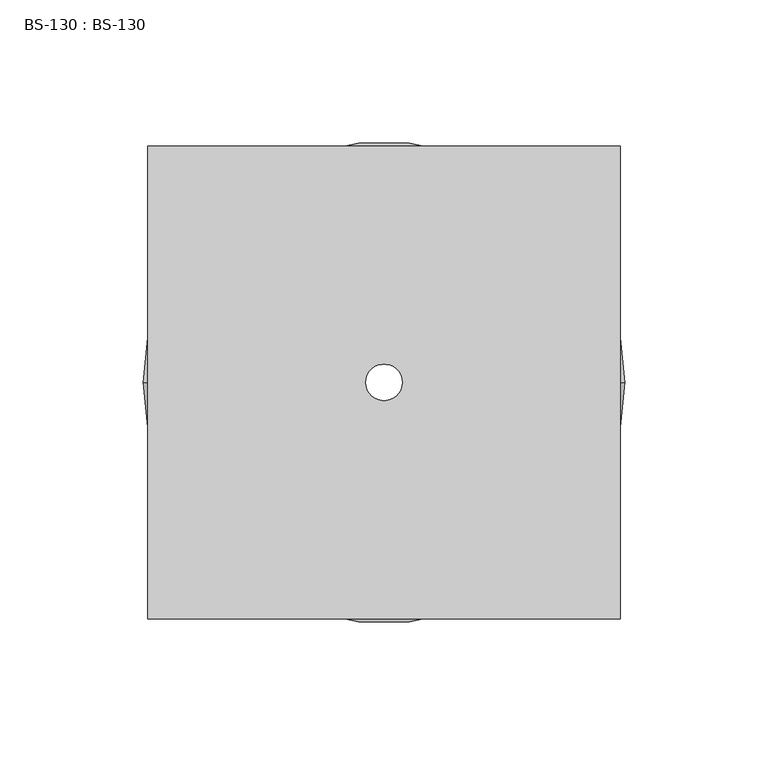
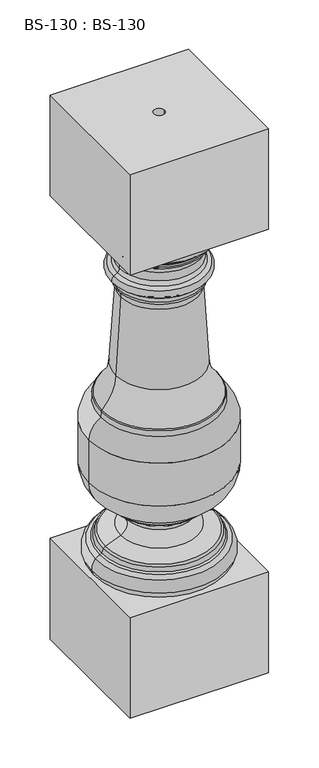
"""IFC4 building model written with IfcOpenShell, lengths in millimetres: proxy geometry, BS-130 : BS-130."""

from ifc_helpers import new_model, si_unit, point, frame, origin, origin_with_axes, place, context, project, spatial, polyline, circle_curve, ellipse_curve, trimmed, source, transform, mapped, element, save
from ifc_brep_helpers import plane_surface, cylinder_surface, revolved_surface, advanced_brep


def bs_130_bs_130_2479b84b(model_context):
    return source(origin(), model_context, "Body", "AdvancedBrep", [
        advanced_brep(
        [(82.55, -82.5641943, 685.8), (82.55, 82.5358057, 685.8), (-82.55, 82.5358057, 685.8), (-82.55, -82.5641943, 685.8), (6.35, 0.0, 685.8), (-6.35, 0.0, 685.8), (82.55, -82.5641943, 558.8), (-82.55, -82.5641943, 558.8), (-82.55, 82.5358057, 558.8), (82.55, 82.5358057, 558.8), (68.2625, 0.0, 558.8), (-68.2625, 0.0, 558.8), (-50.1002609, 0.0, 500.860948), (50.1002609, 0.0, 500.860948), (54.3916334, 0.0, 498.0327842), (-54.3916334, 0.0, 498.0327842), (-54.2069694, 0.0, 526.0417292), (54.2069694, 0.0, 526.0417292), (48.746445, 0.0, 517.4232511), (-48.746445, 0.0, 517.4232511), (-56.1740172, 0.0, 529.2538639), (56.1740172, 0.0, 529.2538639), (-56.4991479, 0.0, 532.0156169), (56.4991479, 0.0, 532.0156169), (-58.0417095, 0.0, 534.3049785), (58.0417095, 0.0, 534.3049785), (-68.2625, 0.0, 547.4761154), (68.2625, 0.0, 547.4761154), (64.9683657, 0.0, 539.9138832), (-64.9683657, 0.0, 539.9138832), (-80.5954479, 0.0, 135.2088057), (80.5954479, 0.0, 135.2088057), (76.2, 0.0, 127.0), (-76.2, 0.0, 127.0), (-76.3653355, 0.0, 148.8863728), (76.3653355, 0.0, 148.8863728), (-71.0899684, 0.0, 152.1110278), (71.0899684, 0.0, 152.1110278), (-67.1682805, 0.0, 158.6455425), (67.1682805, 0.0, 158.6455425), (68.9181945, 0.0, 153.9650644), (-68.9181945, 0.0, 153.9650644), (-64.9164781, 0.0, 160.7350106), (64.9164781, 0.0, 160.7350106), (-46.2696967, 0.0, 168.1878585), (46.2696967, 0.0, 168.1878585), (-39.917657, 0.0, 187.1114443), (39.917657, 0.0, 187.1114443), (-52.1939139, 0.0, 200.2441525), (52.1939139, 0.0, 200.2441525), (-52.9152037, 0.0, 201.4731501), (52.9152037, 0.0, 201.4731501), (-53.18125, 0.0, 205.5431783), (53.18125, 0.0, 205.5431783), (-54.5242651, 0.0, 208.136334), (54.5242651, 0.0, 208.136334), (-84.1375, 0.0, 247.65), (84.1375, 0.0, 247.65), (-84.1375, 0.0, 301.536008), (84.1375, 0.0, 301.536008), (-70.2733712, 0.0, 325.4460102), (70.2733712, 0.0, 325.4460102), (-69.5670752, 0.0, 332.3259833), (69.5670752, 0.0, 332.3259833), (-68.8694243, 0.0, 333.7923075), (68.8694243, 0.0, 333.7923075), (-51.8692896, 0.0, 371.5837186), (51.8692896, 0.0, 371.5837186), (-48.9433279, 0.0, 477.2822491), (48.9433279, 0.0, 477.2822491), (46.0536151, 0.0, 469.091932), (-46.0536151, 0.0, 469.091932), (-50.5856013, 0.0, 481.2042988), (50.5856013, 0.0, 481.2042988), (-51.3850284, 0.0, 486.564052), (51.3850284, 0.0, 486.564052), (-54.6683755, 0.0, 489.531709), (54.6683755, 0.0, 489.531709), (47.9058917, 0.0, 506.3218739), (-47.9058917, 0.0, 506.3218739), (82.55, -82.5641943, 127.0), (82.55, 82.5358057, 127.0), (-82.55, 82.5358057, 127.0), (-82.55, -82.5641943, 127.0), (82.55, -82.5641943, 0.0), (-82.55, -82.5641943, 0.0), (-82.55, 82.5358057, 0.0), (82.55, 82.5358057, 0.0), (-6.35, 0.0, 0.0), (6.35, 0.0, 0.0)],
        [
            (0, 1),
            (1, 2),
            (2, 3),
            (3, 0),
            (4, 5, circle_curve(frame((0.0, 0.0, 685.8), z_axis=(0.0, 0.0, -1.0), x_axis=(1.0, 0.0, 0.0)), 6.35)),
            (5, 4, circle_curve(frame((0.0, 0.0, 685.8), z_axis=(0.0, 0.0, -1.0), x_axis=(1.0, 0.0, 0.0)), 6.35)),
            (6, 7),
            (7, 8),
            (8, 9),
            (9, 6),
            (10, 11, circle_curve(frame((0.0, 0.0, 558.8), z_axis=(0.0, 0.0, 1.0), x_axis=(1.0, 0.0, 0.0)), 68.2625)),
            (11, 10, circle_curve(frame((0.0, 0.0, 558.8), z_axis=(0.0, 0.0, 1.0), x_axis=(1.0, 0.0, 0.0)), 68.2625)),
            (0, 6),
            (9, 1),
            (8, 2),
            (7, 3),
            (12, 13, circle_curve(frame((0.0, 0.0, 500.860948), z_axis=(0.0, 0.0, -1.0), x_axis=(1.0, 0.0, 0.0)), 50.1002609)),
            (13, 14, circle_curve(frame((61.7075719, 0.0, 513.8036568), z_axis=(0.0, -1.0, 0.0), x_axis=(1.0, 0.0, 0.0)), 17.3851482)),
            (14, 15, circle_curve(frame((0.0, 0.0, 498.0327842), z_axis=(0.0, 0.0, 1.0), x_axis=(1.0, 0.0, 0.0)), 54.3916334)),
            (15, 12, circle_curve(frame((-61.7075719, 0.0, 513.8036568), z_axis=(0.0, -1.0, 0.0), x_axis=(-1.0, 0.0, 0.0)), 17.3851482)),
            (13, 12, circle_curve(frame((0.0, 0.0, 500.860948), z_axis=(0.0, 0.0, -1.0), x_axis=(1.0, 0.0, 0.0)), 50.1002609)),
            (15, 14, circle_curve(frame((0.0, 0.0, 498.0327842), z_axis=(0.0, 0.0, 1.0), x_axis=(1.0, 0.0, 0.0)), 54.3916334)),
            (16, 17, circle_curve(frame((0.0, 0.0, 526.0417292), z_axis=(0.0, 0.0, -1.0), x_axis=(1.0, 0.0, 0.0)), 54.2069694)),
            (17, 18, circle_curve(frame((59.5717587, 0.0, 516.6036002), z_axis=(0.0, -1.0, 0.0), x_axis=(1.0, 0.0, 0.0)), 10.8562998)),
            (18, 19, circle_curve(frame((0.0, 0.0, 517.4232511), z_axis=(0.0, 0.0, 1.0), x_axis=(1.0, 0.0, 0.0)), 48.746445)),
            (19, 16, circle_curve(frame((-59.5717587, 0.0, 516.6036002), z_axis=(0.0, -1.0, 0.0), x_axis=(-1.0, 0.0, 0.0)), 10.8562998)),
            (17, 16, circle_curve(frame((0.0, 0.0, 526.0417292), z_axis=(0.0, 0.0, -1.0), x_axis=(1.0, 0.0, 0.0)), 54.2069694)),
            (19, 18, circle_curve(frame((0.0, 0.0, 517.4232511), z_axis=(0.0, 0.0, 1.0), x_axis=(1.0, 0.0, 0.0)), 48.746445)),
            (16, 20, circle_curve(frame((-52.2814555, 0.0, 529.4292339), z_axis=(0.0, 1.0, 0.0), x_axis=(-1.0, 0.0, 0.0)), 3.8965101)),
            (20, 21, circle_curve(frame((0.0, 0.0, 529.2538639), z_axis=(0.0, 0.0, -1.0), x_axis=(1.0, 0.0, 0.0)), 56.1740172)),
            (21, 17, circle_curve(frame((52.2814555, 0.0, 529.4292339), z_axis=(0.0, 1.0, 0.0), x_axis=(1.0, 0.0, 0.0)), 3.8965101)),
            (21, 20, circle_curve(frame((0.0, 0.0, 529.2538639), z_axis=(0.0, 0.0, -1.0), x_axis=(1.0, 0.0, 0.0)), 56.1740172)),
            (20, 22),
            (22, 23, circle_curve(frame((0.0, 0.0, 532.0156169), z_axis=(0.0, 0.0, -1.0), x_axis=(1.0, 0.0, 0.0)), 56.4991479)),
            (23, 21),
            (23, 22, circle_curve(frame((0.0, 0.0, 532.0156169), z_axis=(0.0, 0.0, -1.0), x_axis=(1.0, 0.0, 0.0)), 56.4991479)),
            (22, 24, circle_curve(frame((-59.4922396, 0.0, 531.6632515), z_axis=(0.0, -1.0, 0.0), x_axis=(-1.0, 0.0, 0.0)), 3.0137616)),
            (24, 25, circle_curve(frame((0.0, 0.0, 534.3049785), z_axis=(0.0, 0.0, -1.0), x_axis=(1.0, 0.0, 0.0)), 58.0417095)),
            (25, 23, circle_curve(frame((59.4922396, 0.0, 531.6632515), z_axis=(0.0, -1.0, 0.0), x_axis=(1.0, 0.0, 0.0)), 3.0137616)),
            (25, 24, circle_curve(frame((0.0, 0.0, 534.3049785), z_axis=(0.0, 0.0, -1.0), x_axis=(1.0, 0.0, 0.0)), 58.0417095)),
            (26, 27, circle_curve(frame((0.0, 0.0, 547.4761154), z_axis=(0.0, 0.0, -1.0), x_axis=(1.0, 0.0, 0.0)), 68.2625)),
            (27, 28, circle_curve(frame((57.935253, 0.0, 547.4761154), z_axis=(0.0, 1.0, 0.0), x_axis=(1.0, 0.0, 0.0)), 10.327247)),
            (28, 29, circle_curve(frame((0.0, 0.0, 539.9138832), z_axis=(0.0, 0.0, 1.0), x_axis=(1.0, 0.0, 0.0)), 64.9683657)),
            (29, 26, circle_curve(frame((-57.935253, 0.0, 547.4761154), z_axis=(0.0, 1.0, 0.0), x_axis=(-1.0, 0.0, 0.0)), 10.327247)),
            (27, 26, circle_curve(frame((0.0, 0.0, 547.4761154), z_axis=(0.0, 0.0, -1.0), x_axis=(1.0, 0.0, 0.0)), 68.2625)),
            (29, 28, circle_curve(frame((0.0, 0.0, 539.9138832), z_axis=(0.0, 0.0, 1.0), x_axis=(1.0, 0.0, 0.0)), 64.9683657)),
            (26, 11),
            (10, 27),
            (30, 31, circle_curve(frame((0.0, 0.0, 135.2088057), z_axis=(0.0, 0.0, -1.0), x_axis=(1.0, 0.0, 0.0)), 80.5954479)),
            (31, 32, circle_curve(frame((63.6180306, 0.0, 139.0182669), z_axis=(0.0, 1.0, 0.0), x_axis=(1.0, 0.0, 0.0)), 17.3995602)),
            (32, 33, circle_curve(frame((0.0, 0.0, 127.0), z_axis=(0.0, 0.0, 1.0), x_axis=(1.0, 0.0, 0.0)), 76.2)),
            (33, 30, circle_curve(frame((-63.6180306, 0.0, 139.0182669), z_axis=(0.0, 1.0, 0.0), x_axis=(-1.0, 0.0, 0.0)), 17.3995602)),
            (31, 30, circle_curve(frame((0.0, 0.0, 135.2088057), z_axis=(0.0, 0.0, -1.0), x_axis=(1.0, 0.0, 0.0)), 80.5954479)),
            (33, 32, circle_curve(frame((0.0, 0.0, 127.0), z_axis=(0.0, 0.0, 1.0), x_axis=(1.0, 0.0, 0.0)), 76.2)),
            (30, 34, circle_curve(frame((-66.5547737, 0.0, 138.3593087), z_axis=(0.0, 1.0, 0.0), x_axis=(-1.0, 0.0, 0.0)), 14.3897951)),
            (34, 35, circle_curve(frame((0.0, 0.0, 148.8863728), z_axis=(0.0, 0.0, -1.0), x_axis=(1.0, 0.0, 0.0)), 76.3653355)),
            (35, 31, circle_curve(frame((66.5547737, 0.0, 138.3593087), z_axis=(0.0, 1.0, 0.0), x_axis=(1.0, 0.0, 0.0)), 14.3897951)),
            (35, 34, circle_curve(frame((0.0, 0.0, 148.8863728), z_axis=(0.0, 0.0, -1.0), x_axis=(1.0, 0.0, 0.0)), 76.3653355)),
            (34, 36, circle_curve(frame((-65.8354145, 0.0, 137.587412), z_axis=(0.0, 1.0, 0.0), x_axis=(-1.0, 0.0, 0.0)), 15.4449264)),
            (36, 37, circle_curve(frame((0.0, 0.0, 152.1110278), z_axis=(0.0, 0.0, -1.0), x_axis=(1.0, 0.0, 0.0)), 71.0899684)),
            (37, 35, circle_curve(frame((65.8354145, 0.0, 137.587412), z_axis=(0.0, 1.0, 0.0), x_axis=(1.0, 0.0, 0.0)), 15.4449264)),
            (37, 36, circle_curve(frame((0.0, 0.0, 152.1110278), z_axis=(0.0, 0.0, -1.0), x_axis=(1.0, 0.0, 0.0)), 71.0899684)),
            (38, 39, circle_curve(frame((0.0, 0.0, 158.6455425), z_axis=(0.0, 0.0, -1.0), x_axis=(1.0, 0.0, 0.0)), 67.1682805)),
            (39, 40, circle_curve(frame((126.5797899, 0.0, 178.1906607), z_axis=(0.0, -1.0, 0.0), x_axis=(1.0, 0.0, 0.0)), 62.5438973)),
            (40, 41, circle_curve(frame((0.0, 0.0, 153.9650644), z_axis=(0.0, 0.0, 1.0), x_axis=(1.0, 0.0, 0.0)), 68.9181945)),
            (41, 38, circle_curve(frame((-126.5797899, 0.0, 178.1906607), z_axis=(0.0, -1.0, 0.0), x_axis=(-1.0, 0.0, 0.0)), 62.5438973)),
            (39, 38, circle_curve(frame((0.0, 0.0, 158.6455425), z_axis=(0.0, 0.0, -1.0), x_axis=(1.0, 0.0, 0.0)), 67.1682805)),
            (41, 40, circle_curve(frame((0.0, 0.0, 153.9650644), z_axis=(0.0, 0.0, 1.0), x_axis=(1.0, 0.0, 0.0)), 68.9181945)),
            (38, 42, circle_curve(frame((-64.1522941, 0.0, 157.6533474), z_axis=(0.0, 1.0, 0.0), x_axis=(-1.0, 0.0, 0.0)), 3.175)),
            (42, 43, circle_curve(frame((0.0, 0.0, 160.7350106), z_axis=(0.0, 0.0, -1.0), x_axis=(1.0, 0.0, 0.0)), 64.9164781)),
            (43, 39, circle_curve(frame((64.1522941, 0.0, 157.6533474), z_axis=(0.0, 1.0, 0.0), x_axis=(1.0, 0.0, 0.0)), 3.175)),
            (43, 42, circle_curve(frame((0.0, 0.0, 160.7350106), z_axis=(0.0, 0.0, -1.0), x_axis=(1.0, 0.0, 0.0)), 64.9164781)),
            (42, 44, circle_curve(frame((-98.1351422, 0.0, 270.9002623), z_axis=(0.0, -1.0, 0.0), x_axis=(-1.0, 0.0, 0.0)), 115.0646007)),
            (44, 45, circle_curve(frame((0.0, 0.0, 168.1878585), z_axis=(0.0, 0.0, -1.0), x_axis=(1.0, 0.0, 0.0)), 46.2696967)),
            (45, 43, circle_curve(frame((98.1351422, 0.0, 270.9002623), z_axis=(0.0, -1.0, 0.0), x_axis=(1.0, 0.0, 0.0)), 115.0646007)),
            (45, 44, circle_curve(frame((0.0, 0.0, 168.1878585), z_axis=(0.0, 0.0, -1.0), x_axis=(1.0, 0.0, 0.0)), 46.2696967)),
            (44, 46, circle_curve(frame((-52.6708109, 0.0, 180.8643875), z_axis=(0.0, -1.0, 0.0), x_axis=(-1.0, 0.0, 0.0)), 14.2010089)),
            (46, 47, circle_curve(frame((0.0, 0.0, 187.1114443), z_axis=(0.0, 0.0, -1.0), x_axis=(1.0, 0.0, 0.0)), 39.917657)),
            (47, 45, circle_curve(frame((52.6708109, 0.0, 180.8643875), z_axis=(0.0, -1.0, 0.0), x_axis=(1.0, 0.0, 0.0)), 14.2010089)),
            (47, 46, circle_curve(frame((0.0, 0.0, 187.1114443), z_axis=(0.0, 0.0, -1.0), x_axis=(1.0, 0.0, 0.0)), 39.917657)),
            (46, 48, circle_curve(frame((-67.5711868, 0.0, 173.5655268), z_axis=(0.0, -1.0, 0.0), x_axis=(-1.0, 0.0, 0.0)), 30.7930121)),
            (48, 49, circle_curve(frame((0.0, 0.0, 200.2441525), z_axis=(0.0, 0.0, -1.0), x_axis=(1.0, 0.0, 0.0)), 52.1939139)),
            (49, 47, circle_curve(frame((67.5711868, 0.0, 173.5655268), z_axis=(0.0, -1.0, 0.0), x_axis=(1.0, 0.0, 0.0)), 30.7930121)),
            (49, 48, circle_curve(frame((0.0, 0.0, 200.2441525), z_axis=(0.0, 0.0, -1.0), x_axis=(1.0, 0.0, 0.0)), 52.1939139)),
            (48, 50, circle_curve(frame((-51.3310845, 0.0, 201.5766995), z_axis=(0.0, 1.0, 0.0), x_axis=(-1.0, 0.0, 0.0)), 1.5875)),
            (50, 51, circle_curve(frame((0.0, 0.0, 201.4731501), z_axis=(0.0, 0.0, -1.0), x_axis=(1.0, 0.0, 0.0)), 52.9152037)),
            (51, 49, circle_curve(frame((51.3310845, 0.0, 201.5766995), z_axis=(0.0, 1.0, 0.0), x_axis=(1.0, 0.0, 0.0)), 1.5875)),
            (51, 50, circle_curve(frame((0.0, 0.0, 201.4731501), z_axis=(0.0, 0.0, -1.0), x_axis=(1.0, 0.0, 0.0)), 52.9152037)),
            (50, 52),
            (52, 53, circle_curve(frame((0.0, 0.0, 205.5431783), z_axis=(0.0, 0.0, -1.0), x_axis=(1.0, 0.0, 0.0)), 53.18125)),
            (53, 51),
            (53, 52, circle_curve(frame((0.0, 0.0, 205.5431783), z_axis=(0.0, 0.0, -1.0), x_axis=(1.0, 0.0, 0.0)), 53.18125)),
            (52, 54, circle_curve(frame((-56.8148628, 0.0, 205.3056592), z_axis=(0.0, -1.0, 0.0), x_axis=(-1.0, 0.0, 0.0)), 3.6413675)),
            (54, 55, circle_curve(frame((0.0, 0.0, 208.136334), z_axis=(0.0, 0.0, -1.0), x_axis=(1.0, 0.0, 0.0)), 54.5242651)),
            (55, 53, circle_curve(frame((56.8148628, 0.0, 205.3056592), z_axis=(0.0, -1.0, 0.0), x_axis=(1.0, 0.0, 0.0)), 3.6413675)),
            (55, 54, circle_curve(frame((0.0, 0.0, 208.136334), z_axis=(0.0, 0.0, -1.0), x_axis=(1.0, 0.0, 0.0)), 54.5242651)),
            (54, 56, circle_curve(frame((-42.9688554, 0.0, 247.65), z_axis=(0.0, 1.0, 0.0), x_axis=(-1.0, 0.0, 0.0)), 41.1686446)),
            (56, 57, circle_curve(frame((0.0, 0.0, 247.65), z_axis=(0.0, 0.0, -1.0), x_axis=(1.0, 0.0, 0.0)), 84.1375)),
            (57, 55, circle_curve(frame((42.9688554, 0.0, 247.65), z_axis=(0.0, 1.0, 0.0), x_axis=(1.0, 0.0, 0.0)), 41.1686446)),
            (57, 56, circle_curve(frame((0.0, 0.0, 247.65), z_axis=(0.0, 0.0, -1.0), x_axis=(1.0, 0.0, 0.0)), 84.1375)),
            (56, 58),
            (58, 59, circle_curve(frame((0.0, 0.0, 301.536008), z_axis=(0.0, 0.0, -1.0), x_axis=(1.0, 0.0, 0.0)), 84.1375)),
            (59, 57),
            (59, 58, circle_curve(frame((0.0, 0.0, 301.536008), z_axis=(0.0, 0.0, -1.0), x_axis=(1.0, 0.0, 0.0)), 84.1375)),
            (58, 60, circle_curve(frame((-56.5879048, 0.0, 301.536008), z_axis=(0.0, 1.0, 0.0), x_axis=(-1.0, 0.0, 0.0)), 27.5495952)),
            (60, 61, circle_curve(frame((0.0, 0.0, 325.4460102), z_axis=(0.0, 0.0, -1.0), x_axis=(1.0, 0.0, 0.0)), 70.2733712)),
            (61, 59, circle_curve(frame((56.5879048, 0.0, 301.536008), z_axis=(0.0, 1.0, 0.0), x_axis=(1.0, 0.0, 0.0)), 27.5495952)),
            (61, 60, circle_curve(frame((0.0, 0.0, 325.4460102), z_axis=(0.0, 0.0, -1.0), x_axis=(1.0, 0.0, 0.0)), 70.2733712)),
            (60, 62),
            (62, 63, circle_curve(frame((0.0, 0.0, 332.3259833), z_axis=(0.0, 0.0, -1.0), x_axis=(1.0, 0.0, 0.0)), 69.5670752)),
            (63, 61),
            (63, 62, circle_curve(frame((0.0, 0.0, 332.3259833), z_axis=(0.0, 0.0, -1.0), x_axis=(1.0, 0.0, 0.0)), 69.5670752)),
            (62, 64, circle_curve(frame((-67.1573385, 0.0, 332.0786005), z_axis=(0.0, 1.0, 0.0), x_axis=(-1.0, 0.0, 0.0)), 2.4224016)),
            (64, 65, circle_curve(frame((0.0, 0.0, 333.7923075), z_axis=(0.0, 0.0, -1.0), x_axis=(1.0, 0.0, 0.0)), 68.8694243)),
            (65, 63, circle_curve(frame((67.1573385, 0.0, 332.0786005), z_axis=(0.0, 1.0, 0.0), x_axis=(1.0, 0.0, 0.0)), 2.4224016)),
            (65, 64, circle_curve(frame((0.0, 0.0, 333.7923075), z_axis=(0.0, 0.0, -1.0), x_axis=(1.0, 0.0, 0.0)), 68.8694243)),
            (64, 66, circle_curve(frame((-110.0945201, 0.0, 375.0564414), z_axis=(0.0, -1.0, 0.0), x_axis=(-1.0, 0.0, 0.0)), 58.3287003)),
            (66, 67, circle_curve(frame((0.0, 0.0, 371.5837186), z_axis=(0.0, 0.0, -1.0), x_axis=(1.0, 0.0, 0.0)), 51.8692896)),
            (67, 65, circle_curve(frame((110.0945201, 0.0, 375.0564414), z_axis=(0.0, -1.0, 0.0), x_axis=(1.0, 0.0, 0.0)), 58.3287003)),
            (67, 66, circle_curve(frame((0.0, 0.0, 371.5837186), z_axis=(0.0, 0.0, -1.0), x_axis=(1.0, 0.0, 0.0)), 51.8692896)),
            (68, 69, circle_curve(frame((0.0, 0.0, 477.2822491), z_axis=(0.0, 0.0, -1.0), x_axis=(1.0, 0.0, 0.0)), 48.9433279)),
            (69, 70, circle_curve(frame((57.2180776, 0.0, 469.7578131), z_axis=(0.0, -1.0, 0.0), x_axis=(1.0, 0.0, 0.0)), 11.1843024)),
            (70, 71, circle_curve(frame((0.0, 0.0, 469.091932), z_axis=(0.0, 0.0, 1.0), x_axis=(1.0, 0.0, 0.0)), 46.0536151)),
            (71, 68, circle_curve(frame((-57.2180776, 0.0, 469.7578131), z_axis=(0.0, -1.0, 0.0), x_axis=(-1.0, 0.0, 0.0)), 11.1843024)),
            (69, 68, circle_curve(frame((0.0, 0.0, 477.2822491), z_axis=(0.0, 0.0, -1.0), x_axis=(1.0, 0.0, 0.0)), 48.9433279)),
            (71, 70, circle_curve(frame((0.0, 0.0, 469.091932), z_axis=(0.0, 0.0, 1.0), x_axis=(1.0, 0.0, 0.0)), 46.0536151)),
            (68, 72, circle_curve(frame((-44.2452556, 0.0, 481.5543232), z_axis=(0.0, 1.0, 0.0), x_axis=(-1.0, 0.0, 0.0)), 6.35)),
            (72, 73, circle_curve(frame((0.0, 0.0, 481.2042988), z_axis=(0.0, 0.0, -1.0), x_axis=(1.0, 0.0, 0.0)), 50.5856013)),
            (73, 69, circle_curve(frame((44.2452556, 0.0, 481.5543232), z_axis=(0.0, 1.0, 0.0), x_axis=(1.0, 0.0, 0.0)), 6.35)),
            (73, 72, circle_curve(frame((0.0, 0.0, 481.2042988), z_axis=(0.0, 0.0, -1.0), x_axis=(1.0, 0.0, 0.0)), 50.5856013)),
            (72, 74, circle_curve(frame((-79.7453496, 0.0, 479.5945093), z_axis=(0.0, -1.0, 0.0), x_axis=(-1.0, 0.0, 0.0)), 29.2041494)),
            (74, 75, circle_curve(frame((0.0, 0.0, 486.564052), z_axis=(0.0, 0.0, -1.0), x_axis=(1.0, 0.0, 0.0)), 51.3850284)),
            (75, 73, circle_curve(frame((79.7453496, 0.0, 479.5945093), z_axis=(0.0, -1.0, 0.0), x_axis=(1.0, 0.0, 0.0)), 29.2041494)),
            (75, 74, circle_curve(frame((0.0, 0.0, 486.564052), z_axis=(0.0, 0.0, -1.0), x_axis=(1.0, 0.0, 0.0)), 51.3850284)),
            (74, 76, circle_curve(frame((-55.2196022, 0.0, 485.6217063), z_axis=(0.0, -1.0, 0.0), x_axis=(-1.0, 0.0, 0.0)), 3.9486671)),
            (76, 77, circle_curve(frame((0.0, 0.0, 489.531709), z_axis=(0.0, 0.0, -1.0), x_axis=(1.0, 0.0, 0.0)), 54.6683755)),
            (77, 75, circle_curve(frame((55.2196022, 0.0, 485.6217063), z_axis=(0.0, -1.0, 0.0), x_axis=(1.0, 0.0, 0.0)), 3.9486671)),
            (77, 76, circle_curve(frame((0.0, 0.0, 489.531709), z_axis=(0.0, 0.0, -1.0), x_axis=(1.0, 0.0, 0.0)), 54.6683755)),
            (14, 77, circle_curve(frame((52.3875, 0.0, 493.7125), z_axis=(0.0, 1.0, 0.0), x_axis=(1.0, 0.0, 0.0)), 4.7625)),
            (76, 15, circle_curve(frame((-52.3875, 0.0, 493.7125), z_axis=(0.0, 1.0, 0.0), x_axis=(-1.0, 0.0, 0.0)), 4.7625)),
            (36, 41, circle_curve(frame((-72.4707038, 0.0, 155.9273881), z_axis=(0.0, -1.0, 0.0), x_axis=(-1.0, 0.0, 0.0)), 4.0584525)),
            (40, 37, circle_curve(frame((72.4707038, 0.0, 155.9273881), z_axis=(0.0, -1.0, 0.0), x_axis=(1.0, 0.0, 0.0)), 4.0584525)),
            (24, 29, circle_curve(frame((-20.627973, 0.0, 587.59012), z_axis=(0.0, 1.0, 0.0), x_axis=(-1.0, 0.0, 0.0)), 65.1083249)),
            (28, 25, circle_curve(frame((20.627973, 0.0, 587.59012), z_axis=(0.0, 1.0, 0.0), x_axis=(1.0, 0.0, 0.0)), 65.1083249)),
            (18, 78),
            (78, 79, circle_curve(frame((0.0, 0.0, 506.3218739), z_axis=(0.0, 0.0, 1.0), x_axis=(1.0, 0.0, 0.0)), 47.9058917)),
            (79, 19),
            (79, 78, circle_curve(frame((0.0, 0.0, 506.3218739), z_axis=(0.0, 0.0, 1.0), x_axis=(1.0, 0.0, 0.0)), 47.9058917)),
            (12, 79, circle_curve(frame((-54.5467979, 0.0, 505.8190501), z_axis=(0.0, -1.0, 0.0), x_axis=(-1.0, 0.0, 0.0)), 6.659915)),
            (78, 13, circle_curve(frame((54.5467979, 0.0, 505.8190501), z_axis=(0.0, -1.0, 0.0), x_axis=(1.0, 0.0, 0.0)), 6.659915)),
            (66, 71),
            (70, 67),
            (80, 81),
            (81, 82),
            (82, 83),
            (83, 80),
            (84, 85),
            (85, 86),
            (86, 87),
            (87, 84),
            (88, 89, circle_curve(origin_with_axes(), 6.35)),
            (89, 88, circle_curve(origin_with_axes(), 6.35)),
            (80, 84),
            (87, 81),
            (86, 82),
            (85, 83),
            (4, 89),
            (88, 5),
        ],
        [
            plane_surface(frame((82.55, -107.95, 685.8), z_axis=(0.0, 0.0, 1.0), x_axis=(0.0, 1.0, 0.0))),
            plane_surface(frame((82.55, -107.95, 558.8), z_axis=(0.0, 0.0, -1.0), x_axis=(0.0, -1.0, 0.0))),
            plane_surface(frame((82.55, -82.5641943, 685.8), z_axis=(1.0, 0.0, 0.0), x_axis=(0.0, 0.0, -1.0))),
            plane_surface(frame((82.55, 82.5358057, 685.8), z_axis=(0.0, 1.0, 0.0), x_axis=(0.0, 0.0, -1.0))),
            plane_surface(frame((-82.55, 82.5358057, 685.8), z_axis=(-1.0, 0.0, 0.0), x_axis=(0.0, 0.0, -1.0))),
            plane_surface(frame((-82.55, -82.5641943, 685.8), z_axis=(0.0, -1.0, 0.0), x_axis=(0.0, 0.0, -1.0))),
            revolved_surface(trimmed(ellipse_curve(frame((61.7075719, 0.0, 513.8036568), z_axis=(0.0, 1.0, 0.0), x_axis=(1.0, 0.0, 0.0)), 17.3851482, 17.3851482), [point((54.3916334, 0.0, 498.0327842))], [point((50.1002609, 0.0, 500.860948))], True, "CARTESIAN"), (0.0, 0.0, 685.8), (0.0, 0.0, 1.0)),
            revolved_surface(trimmed(ellipse_curve(frame((59.5717587, 0.0, 516.6036002), z_axis=(0.0, 1.0, 0.0), x_axis=(1.0, 0.0, 0.0)), 10.8562998, 10.8562998), [point((48.746445, 0.0, 517.4232511))], [point((54.2069694, 0.0, 526.0417292))], True, "CARTESIAN"), (0.0, 0.0, 685.8), (0.0, 0.0, 1.0)),
            revolved_surface(trimmed(ellipse_curve(frame((52.2814555, 0.0, 529.4292339), z_axis=(0.0, -1.0, 0.0), x_axis=(1.0, 0.0, 0.0)), 3.8965101, 3.8965101), [point((54.2069694, 0.0, 526.0417292))], [point((56.1740172, 0.0, 529.2538639))], True, "CARTESIAN"), (0.0, 0.0, 685.8), (0.0, 0.0, 1.0)),
            revolved_surface(polyline([(56.1740172, 0.0, 529.2538639), (56.4991479, 0.0, 532.0156169)]), (0.0, 0.0, 685.8), (0.0, 0.0, 1.0)),
            revolved_surface(trimmed(ellipse_curve(frame((59.4922396, 0.0, 531.6632515), z_axis=(0.0, 1.0, 0.0), x_axis=(1.0, 0.0, 0.0)), 3.0137616, 3.0137616), [point((56.4991479, 0.0, 532.0156169))], [point((58.0417095, 0.0, 534.3049785))], True, "CARTESIAN"), (0.0, 0.0, 685.8), (0.0, 0.0, 1.0)),
            revolved_surface(trimmed(ellipse_curve(frame((57.935253, 0.0, 547.4761154), z_axis=(0.0, -1.0, 0.0), x_axis=(1.0, 0.0, 0.0)), 10.327247, 10.327247), [point((64.9683657, 0.0, 539.9138832))], [point((68.2625, 0.0, 547.4761154))], True, "CARTESIAN"), (0.0, 0.0, 685.8), (0.0, 0.0, 1.0)),
            cylinder_surface(frame((0.0, 0.0, 685.8), z_axis=(0.0, 0.0, 1.0), x_axis=(1.0, 0.0, 0.0)), 68.2625),
            revolved_surface(trimmed(ellipse_curve(frame((63.6180306, 0.0, 139.0182669), z_axis=(0.0, -1.0, 0.0), x_axis=(1.0, 0.0, 0.0)), 17.3995602, 17.3995602), [point((76.2, 0.0, 127.0))], [point((80.5954479, 0.0, 135.2088057))], True, "CARTESIAN"), (0.0, 0.0, 685.8), (0.0, 0.0, 1.0)),
            revolved_surface(trimmed(ellipse_curve(frame((66.5547737, 0.0, 138.3593087), z_axis=(0.0, -1.0, 0.0), x_axis=(1.0, 0.0, 0.0)), 14.3897951, 14.3897951), [point((80.5954479, 0.0, 135.2088057))], [point((76.3653355, 0.0, 148.8863728))], True, "CARTESIAN"), (0.0, 0.0, 685.8), (0.0, 0.0, 1.0)),
            revolved_surface(trimmed(ellipse_curve(frame((65.8354145, 0.0, 137.587412), z_axis=(0.0, -1.0, 0.0), x_axis=(1.0, 0.0, 0.0)), 15.4449264, 15.4449264), [point((76.3653355, 0.0, 148.8863728))], [point((71.0899684, 0.0, 152.1110278))], True, "CARTESIAN"), (0.0, 0.0, 685.8), (0.0, 0.0, 1.0)),
            revolved_surface(trimmed(ellipse_curve(frame((126.5797899, 0.0, 178.1906607), z_axis=(0.0, 1.0, 0.0), x_axis=(1.0, 0.0, 0.0)), 62.5438973, 62.5438973), [point((68.9181945, 0.0, 153.9650644))], [point((67.1682805, 0.0, 158.6455425))], True, "CARTESIAN"), (0.0, 0.0, 685.8), (0.0, 0.0, 1.0)),
            revolved_surface(trimmed(ellipse_curve(frame((64.1522941, 0.0, 157.6533474), z_axis=(0.0, -1.0, 0.0), x_axis=(1.0, 0.0, 0.0)), 3.175, 3.175), [point((67.1682805, 0.0, 158.6455425))], [point((64.9164781, 0.0, 160.7350106))], True, "CARTESIAN"), (0.0, 0.0, 685.8), (0.0, 0.0, 1.0)),
            revolved_surface(trimmed(ellipse_curve(frame((98.1351422, 0.0, 270.9002623), z_axis=(0.0, 1.0, 0.0), x_axis=(1.0, 0.0, 0.0)), 115.0646007, 115.0646007), [point((64.9164781, 0.0, 160.7350106))], [point((46.2696967, 0.0, 168.1878585))], True, "CARTESIAN"), (0.0, 0.0, 685.8), (0.0, 0.0, 1.0)),
            revolved_surface(trimmed(ellipse_curve(frame((52.6708109, 0.0, 180.8643875), z_axis=(0.0, 1.0, 0.0), x_axis=(1.0, 0.0, 0.0)), 14.2010089, 14.2010089), [point((46.2696967, 0.0, 168.1878585))], [point((39.917657, 0.0, 187.1114443))], True, "CARTESIAN"), (0.0, 0.0, 685.8), (0.0, 0.0, 1.0)),
            revolved_surface(trimmed(ellipse_curve(frame((67.5711868, 0.0, 173.5655268), z_axis=(0.0, 1.0, 0.0), x_axis=(1.0, 0.0, 0.0)), 30.7930121, 30.7930121), [point((39.917657, 0.0, 187.1114443))], [point((52.1939139, 0.0, 200.2441525))], True, "CARTESIAN"), (0.0, 0.0, 685.8), (0.0, 0.0, 1.0)),
            revolved_surface(trimmed(ellipse_curve(frame((51.3310845, 0.0, 201.5766995), z_axis=(0.0, -1.0, 0.0), x_axis=(1.0, 0.0, 0.0)), 1.5875, 1.5875), [point((52.1939139, 0.0, 200.2441525))], [point((52.9152037, 0.0, 201.4731501))], True, "CARTESIAN"), (0.0, 0.0, 685.8), (0.0, 0.0, 1.0)),
            revolved_surface(polyline([(52.9152037, 0.0, 201.4731501), (53.18125, 0.0, 205.5431783)]), (0.0, 0.0, 685.8), (0.0, 0.0, 1.0)),
            revolved_surface(trimmed(ellipse_curve(frame((56.8148628, 0.0, 205.3056592), z_axis=(0.0, 1.0, 0.0), x_axis=(1.0, 0.0, 0.0)), 3.6413675, 3.6413675), [point((53.18125, 0.0, 205.5431783))], [point((54.5242651, 0.0, 208.136334))], True, "CARTESIAN"), (0.0, 0.0, 685.8), (0.0, 0.0, 1.0)),
            revolved_surface(trimmed(ellipse_curve(frame((42.9688554, 0.0, 247.65), z_axis=(0.0, -1.0, 0.0), x_axis=(1.0, 0.0, 0.0)), 41.1686446, 41.1686446), [point((54.5242651, 0.0, 208.136334))], [point((84.1375, 0.0, 247.65))], True, "CARTESIAN"), (0.0, 0.0, 685.8), (0.0, 0.0, 1.0)),
            cylinder_surface(frame((0.0, 0.0, 685.8), z_axis=(0.0, 0.0, 1.0), x_axis=(1.0, 0.0, 0.0)), 84.1375),
            revolved_surface(trimmed(ellipse_curve(frame((56.5879048, 0.0, 301.536008), z_axis=(0.0, -1.0, 0.0), x_axis=(1.0, 0.0, 0.0)), 27.5495952, 27.5495952), [point((84.1375, 0.0, 301.536008))], [point((70.2733712, 0.0, 325.4460102))], True, "CARTESIAN"), (0.0, 0.0, 685.8), (0.0, 0.0, 1.0)),
            revolved_surface(polyline([(70.2733712, 0.0, 325.4460102), (69.5670752, 0.0, 332.3259833)]), (0.0, 0.0, 685.8), (0.0, 0.0, 1.0)),
            revolved_surface(trimmed(ellipse_curve(frame((67.1573385, 0.0, 332.0786005), z_axis=(0.0, -1.0, 0.0), x_axis=(1.0, 0.0, 0.0)), 2.4224016, 2.4224016), [point((69.5670752, 0.0, 332.3259833))], [point((68.8694243, 0.0, 333.7923075))], True, "CARTESIAN"), (0.0, 0.0, 685.8), (0.0, 0.0, 1.0)),
            revolved_surface(trimmed(ellipse_curve(frame((110.0945201, 0.0, 375.0564414), z_axis=(0.0, 1.0, 0.0), x_axis=(1.0, 0.0, 0.0)), 58.3287003, 58.3287003), [point((68.8694243, 0.0, 333.7923075))], [point((51.8692896, 0.0, 371.5837186))], True, "CARTESIAN"), (0.0, 0.0, 685.8), (0.0, 0.0, 1.0)),
            revolved_surface(trimmed(ellipse_curve(frame((57.2180776, 0.0, 469.7578131), z_axis=(0.0, 1.0, 0.0), x_axis=(1.0, 0.0, 0.0)), 11.1843024, 11.1843024), [point((46.0536151, 0.0, 469.091932))], [point((48.9433279, 0.0, 477.2822491))], True, "CARTESIAN"), (0.0, 0.0, 685.8), (0.0, 0.0, 1.0)),
            revolved_surface(trimmed(ellipse_curve(frame((44.2452556, 0.0, 481.5543232), z_axis=(0.0, -1.0, 0.0), x_axis=(1.0, 0.0, 0.0)), 6.35, 6.35), [point((48.9433279, 0.0, 477.2822491))], [point((50.5856013, 0.0, 481.2042988))], True, "CARTESIAN"), (0.0, 0.0, 685.8), (0.0, 0.0, 1.0)),
            revolved_surface(trimmed(ellipse_curve(frame((79.7453496, 0.0, 479.5945093), z_axis=(0.0, 1.0, 0.0), x_axis=(1.0, 0.0, 0.0)), 29.2041494, 29.2041494), [point((50.5856013, 0.0, 481.2042988))], [point((51.3850284, 0.0, 486.564052))], True, "CARTESIAN"), (0.0, 0.0, 685.8), (0.0, 0.0, 1.0)),
            revolved_surface(trimmed(ellipse_curve(frame((55.2196022, 0.0, 485.6217063), z_axis=(0.0, 1.0, 0.0), x_axis=(1.0, 0.0, 0.0)), 3.9486671, 3.9486671), [point((51.3850284, 0.0, 486.564052))], [point((54.6683755, 0.0, 489.531709))], True, "CARTESIAN"), (0.0, 0.0, 685.8), (0.0, 0.0, 1.0)),
            revolved_surface(trimmed(ellipse_curve(frame((52.3875, 0.0, 493.7125), z_axis=(0.0, -1.0, 0.0), x_axis=(1.0, 0.0, 0.0)), 4.7625, 4.7625), [point((54.6683755, 0.0, 489.531709))], [point((54.3916334, 0.0, 498.0327842))], True, "CARTESIAN"), (0.0, 0.0, 685.8), (0.0, 0.0, 1.0)),
            revolved_surface(trimmed(ellipse_curve(frame((72.4707038, 0.0, 155.9273881), z_axis=(0.0, 1.0, 0.0), x_axis=(1.0, 0.0, 0.0)), 4.0584525, 4.0584525), [point((71.0899684, 0.0, 152.1110278))], [point((68.9181945, 0.0, 153.9650644))], True, "CARTESIAN"), (0.0, 0.0, 685.8), (0.0, 0.0, 1.0)),
            revolved_surface(trimmed(ellipse_curve(frame((20.627973, 0.0, 587.59012), z_axis=(0.0, -1.0, 0.0), x_axis=(1.0, 0.0, 0.0)), 65.1083249, 65.1083249), [point((58.0417095, 0.0, 534.3049785))], [point((64.9683657, 0.0, 539.9138832))], True, "CARTESIAN"), (0.0, 0.0, 685.8), (0.0, 0.0, 1.0)),
            revolved_surface(polyline([(47.9058917, 0.0, 506.3218739), (48.746445, 0.0, 517.4232511)]), (0.0, 0.0, 685.8), (0.0, 0.0, 1.0)),
            revolved_surface(trimmed(ellipse_curve(frame((54.5467979, 0.0, 505.8190501), z_axis=(0.0, 1.0, 0.0), x_axis=(1.0, 0.0, 0.0)), 6.659915, 6.659915), [point((50.1002609, 0.0, 500.860948))], [point((47.9058916, 0.0, 506.3218739))], True, "CARTESIAN"), (0.0, 0.0, 685.8), (0.0, 0.0, 1.0)),
            revolved_surface(polyline([(51.8692897, 0.0, 371.5837186), (46.0536151, 0.0, 469.091932)]), (0.0, 0.0, 685.8), (0.0, 0.0, 1.0)),
            plane_surface(frame((82.55, -107.95, 127.0), z_axis=(0.0, 0.0, 1.0), x_axis=(0.0, 1.0, 0.0))),
            plane_surface(frame((82.55, -107.95, 0.0), z_axis=(0.0, 0.0, -1.0), x_axis=(0.0, -1.0, 0.0))),
            plane_surface(frame((82.55, -82.5641943, 127.0), z_axis=(1.0, 0.0, 0.0), x_axis=(0.0, 0.0, -1.0))),
            plane_surface(frame((82.55, 82.5358057, 127.0), z_axis=(0.0, 1.0, 0.0), x_axis=(0.0, 0.0, -1.0))),
            plane_surface(frame((-82.55, 82.5358057, 127.0), z_axis=(-1.0, 0.0, 0.0), x_axis=(0.0, 0.0, -1.0))),
            plane_surface(frame((-82.55, -82.5641943, 127.0), z_axis=(0.0, -1.0, 0.0), x_axis=(0.0, 0.0, -1.0))),
            revolved_surface(polyline([(6.35, 0.0, 685.8), (6.35, 0.0, 0.0)]), (0.0, 0.0, 0.0), (0.0, 0.0, 1.0)),
        ],
        [
            (0, [[1, 2, 3, 4], [5, 6]]),
            (1, [[7, 8, 9, 10], [11, 12]]),
            (2, [[-1, 13, -10, 14]]),
            (3, [[-2, -14, -9, 15]]),
            (4, [[-3, -15, -8, 16]]),
            (5, [[-4, -16, -7, -13]]),
            (6, [[17, 18, 19, 20]]),
            (6, [[-18, 21, -20, 22]]),
            (7, [[23, 24, 25, 26]]),
            (7, [[-24, 27, -26, 28]]),
            (8, [[-23, 29, 30, 31]]),
            (8, [[-27, -31, 32, -29]]),
            (9, [[-30, 33, 34, 35]]),
            (9, [[-32, -35, 36, -33]]),
            (10, [[-34, 37, 38, 39]]),
            (10, [[-36, -39, 40, -37]]),
            (11, [[41, 42, 43, 44]]),
            (11, [[-42, 45, -44, 46]]),
            (12, [[-41, 47, -11, 48]]),
            (12, [[-45, -48, -12, -47]]),
            (13, [[49, 50, 51, 52]]),
            (13, [[-50, 53, -52, 54]]),
            (14, [[-49, 55, 56, 57]]),
            (14, [[-53, -57, 58, -55]]),
            (15, [[-56, 59, 60, 61]]),
            (15, [[-58, -61, 62, -59]]),
            (16, [[63, 64, 65, 66]]),
            (16, [[-64, 67, -66, 68]]),
            (17, [[-63, 69, 70, 71]]),
            (17, [[-67, -71, 72, -69]]),
            (18, [[-70, 73, 74, 75]]),
            (18, [[-72, -75, 76, -73]]),
            (19, [[-74, 77, 78, 79]]),
            (19, [[-76, -79, 80, -77]]),
            (20, [[-78, 81, 82, 83]]),
            (20, [[-80, -83, 84, -81]]),
            (21, [[-82, 85, 86, 87]]),
            (21, [[-84, -87, 88, -85]]),
            (22, [[-86, 89, 90, 91]]),
            (22, [[-88, -91, 92, -89]]),
            (23, [[-90, 93, 94, 95]]),
            (23, [[-92, -95, 96, -93]]),
            (24, [[-94, 97, 98, 99]]),
            (24, [[-96, -99, 100, -97]]),
            (25, [[-98, 101, 102, 103]]),
            (25, [[-100, -103, 104, -101]]),
            (26, [[-102, 105, 106, 107]]),
            (26, [[-104, -107, 108, -105]]),
            (27, [[-106, 109, 110, 111]]),
            (27, [[-108, -111, 112, -109]]),
            (28, [[-110, 113, 114, 115]]),
            (28, [[-112, -115, 116, -113]]),
            (29, [[-114, 117, 118, 119]]),
            (29, [[-116, -119, 120, -117]]),
            (30, [[121, 122, 123, 124]]),
            (30, [[-122, 125, -124, 126]]),
            (31, [[-121, 127, 128, 129]]),
            (31, [[-125, -129, 130, -127]]),
            (32, [[-128, 131, 132, 133]]),
            (32, [[-130, -133, 134, -131]]),
            (33, [[-132, 135, 136, 137]]),
            (33, [[-134, -137, 138, -135]]),
            (34, [[-19, 139, -136, 140]]),
            (34, [[-22, -140, -138, -139]]),
            (35, [[-60, 141, -65, 142]]),
            (35, [[-62, -142, -68, -141]]),
            (36, [[-38, 143, -43, 144]]),
            (36, [[-40, -144, -46, -143]]),
            (37, [[-25, 145, 146, 147]]),
            (37, [[-28, -147, 148, -145]]),
            (38, [[-17, 149, -146, 150]]),
            (38, [[-21, -150, -148, -149]]),
            (39, [[-118, 151, -123, 152]]),
            (39, [[-120, -152, -126, -151]]),
            (40, [[153, 154, 155, 156], [-51, -54]]),
            (41, [[157, 158, 159, 160], [161, 162]]),
            (42, [[-153, 163, -160, 164]]),
            (43, [[-154, -164, -159, 165]]),
            (44, [[-155, -165, -158, 166]]),
            (45, [[-156, -166, -157, -163]]),
            (46, [[167, -161, 168, -5]]),
            (46, [[-167, -6, -168, -162]]),
        ],
    ),
    ])


if __name__ == "__main__":
    model = new_model("IFC4")
    model_context = context("Model", 3, world=origin())
    ifc_project = project(units=[si_unit("LENGTHUNIT", "METRE", prefix="MILLI")], contexts=[model_context])
    site = spatial("IfcSite", under=ifc_project)
    building = spatial("IfcBuilding", under=site)
    placement = place(None, origin())
    bs_130_bs_130_shape = bs_130_bs_130_2479b84b(model_context)
    element("IfcBuildingElementProxy", 1, Name="BS-130 : BS-130", ObjectType="BS-130 : BS-130", at=placement, inside=building, context=model_context, shape_type="MappedRepresentation", body=[
        mapped(bs_130_bs_130_shape, transform((0.0, 0.0, 0.0), x_axis=(1.0, 0.0, 0.0), y_axis=(0.0, 1.0, 0.0), z_axis=(0.0, 0.0, 1.0))),
    ])
    save(model, "model.ifc")
